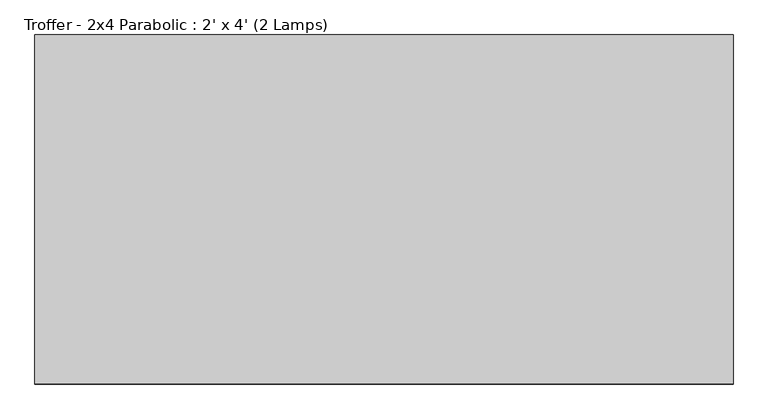
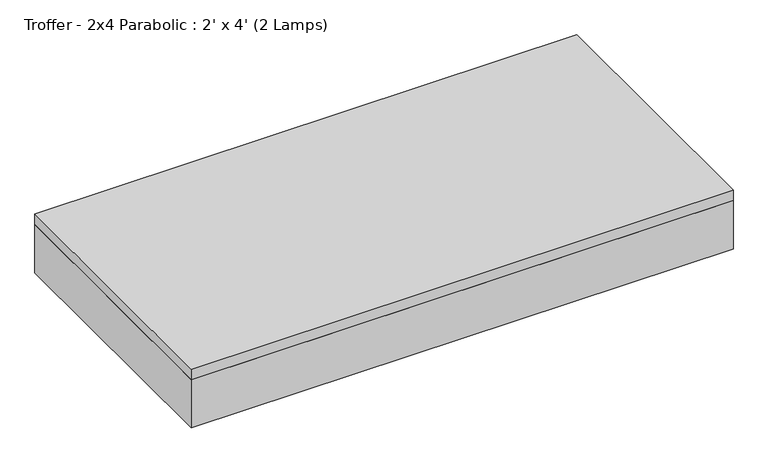
"""IFC4 building model written with IfcOpenShell, lengths in millimetres: light fixture geometry, Troffer - 2x4 Parabolic : 2' x 4' (2 Lamps)."""

import ifcopenshell
import ifcopenshell.guid

model = None  # the IFC model being written
_history = None  # IfcOwnerHistory: only IFC2X3 demands one
_inside = {}  # id of a spatial element -> (the spatial element, [elements in it])
_under = {}  # id of a project, library or spatial element -> (it, [spatial elements below it])
_declared = {}  # id of a project -> (the project, [libraries it declares])
_typed = {}  # id of a type object -> (the type object, [elements of that type])
_made_of = {}  # id of a material, layer set ... -> (it, [elements and type objects made of it])


def new_model(schema):
    """Start an empty IFC model of exactly this schema.

    Asked for "IFC4X3", IfcOpenShell would pick the latest addendum, in which some entities
    have other attributes; the version numbers below select the first issue.
    IFC2X3 requires an IfcOwnerHistory on every rooted entity: one is made here for all.
    """
    global model, _history
    if schema == "IFC4X3":
        model = ifcopenshell.file(schema_version=(4, 3, 0, 0))
    else:
        model = ifcopenshell.file(schema=schema)
    _inside.clear()
    _under.clear()
    _declared.clear()
    _typed.clear()
    _made_of.clear()
    _history = None
    if model.schema == "IFC2X3":
        org = make("IfcOrganization", Name="unknown")
        user = make(
            "IfcPersonAndOrganization",
            ThePerson=make("IfcPerson", FamilyName="unknown"),
            TheOrganization=org,
        )
        app = make(
            "IfcApplication",
            ApplicationDeveloper=org,
            Version="unknown",
            ApplicationFullName="unknown",
            ApplicationIdentifier="unknown",
        )
        _history = make(
            "IfcOwnerHistory",
            OwningUser=user,
            OwningApplication=app,
            ChangeAction="ADDED",
            CreationDate=0,
        )
    return model


def make(cls, **values):
    """One entity of the class cls with the attributes given. An attribute that is None is left unset."""
    return model.create_entity(
        cls, **{name: value for name, value in values.items() if value is not None}
    )


def rooted(cls, **values):
    """An entity with a GlobalId (a new one), such as an element, a storey or a relation."""
    return make(cls, GlobalId=ifcopenshell.guid.new(), OwnerHistory=_history, **values)


def si_unit(unit_type, name, prefix=None):
    """IfcSIUnit, for example si_unit("LENGTHUNIT", "METRE", prefix="MILLI")."""
    return make("IfcSIUnit", UnitType=unit_type, Prefix=prefix, Name=name)


def assignment(units):
    """IfcUnitAssignment: the units of a project."""
    return None if units is None else make("IfcUnitAssignment", Units=units)


def point(xyz):
    """IfcCartesianPoint."""
    return None if xyz is None else make("IfcCartesianPoint", Coordinates=xyz)


def direction(xyz):
    """IfcDirection."""
    return None if xyz is None else make("IfcDirection", DirectionRatios=xyz)


def frame(location, z_axis=None, x_axis=None):
    """IfcAxis2Placement3D, a coordinate frame: its origin and axes. An axis left out is left unset."""
    return make(
        "IfcAxis2Placement3D",
        Location=point(location),
        Axis=direction(z_axis),
        RefDirection=direction(x_axis),
    )


def origin():
    """The frame at (0, 0, 0) with its axes left unset."""
    return frame((0.0, 0.0, 0.0))


def place(relative_to, where):
    """IfcLocalPlacement: puts the frame where relative to a parent placement (None: the world)."""
    return make(
        "IfcLocalPlacement", PlacementRelTo=relative_to, RelativePlacement=where
    )


def context(
    kind, dimensions, precision=None, world=None, true_north=None, identifier=None
):
    """IfcGeometricRepresentationContext, for example the 3D "Model" context."""
    return make(
        "IfcGeometricRepresentationContext",
        ContextIdentifier=identifier,
        ContextType=kind,
        CoordinateSpaceDimension=dimensions,
        Precision=precision,
        WorldCoordinateSystem=world,
        TrueNorth=true_north,
    )


def project(units=None, contexts=None):
    """IfcProject with its units and contexts."""
    return rooted(
        "IfcProject",
        Name="project",
        RepresentationContexts=contexts,
        UnitsInContext=assignment(units),
    )


def spatial(cls, under=None, at=None, **own):
    """A site, building, storey or space (cls), placed at a placement, below another one or the project."""
    s = rooted(cls, ObjectPlacement=at, **own)
    if under is not None:
        _under.setdefault(under.id(), (under, []))[1].append(s)
    return s


def polyline(points):
    """IfcPolyline through the points."""
    return make("IfcPolyline", Points=[point(p) for p in points])


def outline(outer, holes=None, kind="AREA"):
    """IfcArbitraryClosedProfileDef: a profile drawn as a closed curve; with holes, ...WithVoids."""
    if holes is None:
        return make("IfcArbitraryClosedProfileDef", ProfileType=kind, OuterCurve=outer)
    return make(
        "IfcArbitraryProfileDefWithVoids",
        ProfileType=kind,
        OuterCurve=outer,
        InnerCurves=holes,
    )


def extrude(swept, where, along, depth):
    """IfcExtrudedAreaSolid: the profile swept, set in the frame where, extruded along a direction by depth."""
    return make(
        "IfcExtrudedAreaSolid",
        SweptArea=swept,
        Position=where,
        ExtrudedDirection=direction(along),
        Depth=depth,
    )


def shape(context_of_items, identifier, shape_type, items):
    """IfcShapeRepresentation: the items that make up one representation, for example the "Body"."""
    return make(
        "IfcShapeRepresentation",
        ContextOfItems=context_of_items,
        RepresentationIdentifier=identifier,
        RepresentationType=shape_type,
        Items=items,
    )


def source(mapping_origin, context_of_items, identifier, shape_type, items):
    """IfcRepresentationMap: a shape defined once, which mapped items show again and again."""
    return make(
        "IfcRepresentationMap",
        MappingOrigin=mapping_origin,
        MappedRepresentation=shape(context_of_items, identifier, shape_type, items),
    )


def transform(
    local_origin,
    x_axis=None,
    y_axis=None,
    z_axis=None,
    scale=None,
    scale2=None,
    scale3=None,
    uniform=True,
):
    """IfcCartesianTransformationOperator3D, or its non-uniform kind. x_axis, y_axis, z_axis: its Axis1, 2, 3."""
    if uniform:
        return make(
            "IfcCartesianTransformationOperator3D",
            Axis1=direction(x_axis),
            Axis2=direction(y_axis),
            LocalOrigin=point(local_origin),
            Scale=scale,
            Axis3=direction(z_axis),
        )
    return make(
        "IfcCartesianTransformationOperator3DnonUniform",
        Axis1=direction(x_axis),
        Axis2=direction(y_axis),
        LocalOrigin=point(local_origin),
        Scale=scale,
        Axis3=direction(z_axis),
        Scale2=scale2,
        Scale3=scale3,
    )


def mapped(mapping_source, mapping_target):
    """IfcMappedItem: shows the shape of a source again, moved by a transform."""
    return make(
        "IfcMappedItem", MappingSource=mapping_source, MappingTarget=mapping_target
    )


def made_of(thing, what):
    """Note that an element or type object is made of a material, layer set ...; save() writes the relation."""
    if what is not None:
        _made_of.setdefault(what.id(), (what, []))[1].append(thing)
    return thing


def element(
    cls,
    number,
    at=None,
    inside=None,
    cuts=None,
    type_object=None,
    material=None,
    context=None,
    identifier="Body",
    shape_type=None,
    held_by="IfcProductDefinitionShape",
    body=None,
    shapes=None,
    **own,
):
    """One element of the class cls, such as IfcWall. Its Tag is "e" and its number.

    at: its placement. inside: the storey or other place that contains it. cuts: it is an
    opening in that element (IfcRelVoidsElement). A single representation is given by context,
    identifier, shape_type and body (its items); several are given by shapes. held_by: the class
    of the entity that holds the representations. save() writes the other relations.
    """
    e = rooted(cls, Tag="e%d" % number, ObjectPlacement=at, **own)
    if body is not None:
        shapes = [shape(context, identifier, shape_type, body)]
    if shapes is not None:
        e.Representation = make(held_by, Representations=shapes)
    if inside is not None:
        _inside.setdefault(inside.id(), (inside, []))[1].append(e)
    if cuts is not None:
        rooted(
            "IfcRelVoidsElement", RelatingBuildingElement=cuts, RelatedOpeningElement=e
        )
    if type_object is not None:
        _typed.setdefault(type_object.id(), (type_object, []))[1].append(e)
    return made_of(e, material)


def aggregate(whole, parts):
    """IfcRelAggregates: a whole, such as a stair, and the parts it consists of."""
    return rooted("IfcRelAggregates", RelatingObject=whole, RelatedObjects=parts)


def save(model, path):
    """Write the relations noted so far, then the file.

    IfcRelAggregates (storeys below a building ...), IfcRelContainedInSpatialStructure (elements
    in a storey), IfcRelDefinesByType, IfcRelAssociatesMaterial and IfcRelDeclares: one each for
    every whole, place, type object, material and project.
    """
    for whole, parts in _under.values():
        aggregate(whole, parts)
    for where, things in _inside.values():
        rooted(
            "IfcRelContainedInSpatialStructure",
            RelatedElements=things,
            RelatingStructure=where,
        )
    for kind, things in _typed.values():
        rooted("IfcRelDefinesByType", RelatedObjects=things, RelatingType=kind)
    for what, things in _made_of.values():
        rooted("IfcRelAssociatesMaterial", RelatedObjects=things, RelatingMaterial=what)
    for by, libraries in _declared.values():
        rooted("IfcRelDeclares", RelatingContext=by, RelatedDefinitions=libraries)
    model.write(path)


def troffer_2x4_parabolic_2_x_4_2_lamps_ca384779(model_context):
    return source(origin(), model_context, "Body", "SweptSolid", [
        extrude(outline(polyline([(565.4964984, 219.9340679), (565.4964984, -338.8659321), (-602.9035016, -338.8659321), (-602.9035016, 219.9340679), (565.4964984, 219.9340679)]), holes=[polyline([(-409.2285016, 35.7840679), (-409.2285016, 213.5840679), (-596.5535016, 213.5840679), (-596.5535016, 35.7840679), (-409.2285016, 35.7840679)]), polyline([(-409.2285016, -148.3659321), (-409.2285016, 29.4340679), (-596.5535016, 29.4340679), (-596.5535016, -148.3659321), (-409.2285016, -148.3659321)]), polyline([(-409.2285016, -154.7159321), (-596.5535016, -154.7159321), (-596.5535016, -332.5159321), (-409.2285016, -332.5159321), (-409.2285016, -154.7159321)]), polyline([(-215.5535016, 35.7840679), (-215.5535016, 213.5840679), (-402.8785016, 213.5840679), (-402.8785016, 35.7840679), (-215.5535016, 35.7840679)]), polyline([(-215.5535016, -148.3659321), (-215.5535016, 29.4340679), (-402.8785016, 29.4340679), (-402.8785016, -148.3659321), (-215.5535016, -148.3659321)]), polyline([(-215.5535016, -154.7159321), (-402.8785016, -154.7159321), (-402.8785016, -332.5159321), (-215.5535016, -332.5159321), (-215.5535016, -154.7159321)]), polyline([(-21.8785016, 35.7840679), (-21.8785016, 213.5840679), (-209.2035016, 213.5840679), (-209.2035016, 35.7840679), (-21.8785016, 35.7840679)]), polyline([(-21.8785016, -148.3659321), (-21.8785016, 29.4340679), (-209.2035016, 29.4340679), (-209.2035016, -148.3659321), (-21.8785016, -148.3659321)]), polyline([(-21.8785016, -154.7159321), (-209.2035016, -154.7159321), (-209.2035016, -332.5159321), (-21.8785016, -332.5159321), (-21.8785016, -154.7159321)]), polyline([(171.7964984, 35.7840679), (171.7964984, 213.5840679), (-15.5285016, 213.5840679), (-15.5285016, 35.7840679), (171.7964984, 35.7840679)]), polyline([(171.7964984, -148.3659321), (171.7964984, 29.4340679), (-15.5285016, 29.4340679), (-15.5285016, -148.3659321), (171.7964984, -148.3659321)]), polyline([(171.7964984, -154.7159321), (-15.5285016, -154.7159321), (-15.5285016, -332.5159321), (171.7964984, -332.5159321), (171.7964984, -154.7159321)]), polyline([(365.4714984, 35.7840679), (365.4714984, 213.5840679), (178.1464984, 213.5840679), (178.1464984, 35.7840679), (365.4714984, 35.7840679)]), polyline([(365.4714984, -148.3659321), (365.4714984, 29.4340679), (178.1464984, 29.4340679), (178.1464984, -148.3659321), (365.4714984, -148.3659321)]), polyline([(365.4714984, -154.7159321), (178.1464984, -154.7159321), (178.1464984, -332.5159321), (365.4714984, -332.5159321), (365.4714984, -154.7159321)]), polyline([(559.1464984, 35.7840679), (559.1464984, 213.5840679), (371.8214984, 213.5840679), (371.8214984, 35.7840679), (559.1464984, 35.7840679)]), polyline([(559.1464984, -148.3659321), (559.1464984, 29.4340679), (371.8214984, 29.4340679), (371.8214984, -148.3659321), (559.1464984, -148.3659321)]), polyline([(559.1464984, -154.7159321), (371.8214984, -154.7159321), (371.8214984, -332.5159321), (559.1464984, -332.5159321), (559.1464984, -154.7159321)])]), frame((0.0, 0.0, 2438.4), z_axis=(0.0, 0.0, 1.0), x_axis=(1.0, 0.0, 0.0)), (0.0, 0.0, 1.0), 3.175),
        extrude(outline(polyline([(565.4964984, 219.9340679), (565.4964984, -338.8659321), (-602.9035016, -338.8659321), (-602.9035016, 219.9340679), (565.4964984, 219.9340679)])), frame((0.0, 0.0, 2514.6), z_axis=(0.0, 0.0, 1.0), x_axis=(1.0, 0.0, 0.0)), (0.0, 0.0, 1.0), 6.35),
        extrude(outline(polyline([(565.4964984, 219.9340679), (565.4964984, -338.8659321), (-602.9035016, -338.8659321), (-602.9035016, 219.9340679), (565.4964984, 219.9340679)]), holes=[polyline([(-409.2285016, 35.7840679), (-409.2285016, 213.5840679), (-596.5535016, 213.5840679), (-596.5535016, 35.7840679), (-409.2285016, 35.7840679)]), polyline([(-409.2285016, -148.3659321), (-409.2285016, 29.4340679), (-596.5535016, 29.4340679), (-596.5535016, -148.3659321), (-409.2285016, -148.3659321)]), polyline([(-409.2285016, -154.7159321), (-596.5535016, -154.7159321), (-596.5535016, -332.5159321), (-409.2285016, -332.5159321), (-409.2285016, -154.7159321)]), polyline([(-215.5535016, 35.7840679), (-215.5535016, 213.5840679), (-402.8785016, 213.5840679), (-402.8785016, 35.7840679), (-215.5535016, 35.7840679)]), polyline([(-215.5535016, -148.3659321), (-215.5535016, 29.4340679), (-402.8785016, 29.4340679), (-402.8785016, -148.3659321), (-215.5535016, -148.3659321)]), polyline([(-215.5535016, -154.7159321), (-402.8785016, -154.7159321), (-402.8785016, -332.5159321), (-215.5535016, -332.5159321), (-215.5535016, -154.7159321)]), polyline([(-21.8785016, 35.7840679), (-21.8785016, 213.5840679), (-209.2035016, 213.5840679), (-209.2035016, 35.7840679), (-21.8785016, 35.7840679)]), polyline([(-21.8785016, -148.3659321), (-21.8785016, 29.4340679), (-209.2035016, 29.4340679), (-209.2035016, -148.3659321), (-21.8785016, -148.3659321)]), polyline([(-21.8785016, -154.7159321), (-209.2035016, -154.7159321), (-209.2035016, -332.5159321), (-21.8785016, -332.5159321), (-21.8785016, -154.7159321)]), polyline([(171.7964984, 35.7840679), (171.7964984, 213.5840679), (-15.5285016, 213.5840679), (-15.5285016, 35.7840679), (171.7964984, 35.7840679)]), polyline([(171.7964984, -148.3659321), (171.7964984, 29.4340679), (-15.5285016, 29.4340679), (-15.5285016, -148.3659321), (171.7964984, -148.3659321)]), polyline([(171.7964984, -154.7159321), (-15.5285016, -154.7159321), (-15.5285016, -332.5159321), (171.7964984, -332.5159321), (171.7964984, -154.7159321)]), polyline([(365.4714984, 35.7840679), (365.4714984, 213.5840679), (178.1464984, 213.5840679), (178.1464984, 35.7840679), (365.4714984, 35.7840679)]), polyline([(365.4714984, -148.3659321), (365.4714984, 29.4340679), (178.1464984, 29.4340679), (178.1464984, -148.3659321), (365.4714984, -148.3659321)]), polyline([(365.4714984, -154.7159321), (178.1464984, -154.7159321), (178.1464984, -332.5159321), (365.4714984, -332.5159321), (365.4714984, -154.7159321)]), polyline([(559.1464984, 35.7840679), (559.1464984, 213.5840679), (371.8214984, 213.5840679), (371.8214984, 35.7840679), (559.1464984, 35.7840679)]), polyline([(559.1464984, -148.3659321), (559.1464984, 29.4340679), (371.8214984, 29.4340679), (371.8214984, -148.3659321), (559.1464984, -148.3659321)]), polyline([(559.1464984, -154.7159321), (371.8214984, -154.7159321), (371.8214984, -332.5159321), (559.1464984, -332.5159321), (559.1464984, -154.7159321)])]), frame((0.0, 0.0, 2441.575), z_axis=(0.0, 0.0, 1.0), x_axis=(1.0, 0.0, 0.0)), (0.0, 0.0, 1.0), 47.625),
        extrude(outline(polyline([(590.8964984, 245.3340679), (590.8964984, -364.2659321), (-628.3035016, -364.2659321), (-628.3035016, 245.3340679), (590.8964984, 245.3340679)]), holes=[polyline([(565.4964984, 219.9340679), (-602.9035016, 219.9340679), (-602.9035016, -338.8659321), (565.4964984, -338.8659321), (565.4964984, 219.9340679)])]), frame((0.0, 0.0, 2438.4), z_axis=(0.0, 0.0, 1.0), x_axis=(1.0, 0.0, 0.0)), (0.0, 0.0, 1.0), 114.3),
        extrude(outline(polyline([(590.8964984, 245.3340679), (590.8964984, -364.2659321), (-628.3035016, -364.2659321), (-628.3035016, 245.3340679), (590.8964984, 245.3340679)])), frame((0.0, 0.0, 2552.7), z_axis=(0.0, 0.0, 1.0), x_axis=(1.0, 0.0, 0.0)), (0.0, 0.0, 1.0), 25.4),
    ])


if __name__ == "__main__":
    model = new_model("IFC4")
    model_context = context("Model", 3, world=origin())
    ifc_project = project(units=[si_unit("LENGTHUNIT", "METRE", prefix="MILLI")], contexts=[model_context])
    site = spatial("IfcSite", under=ifc_project)
    building = spatial("IfcBuilding", under=site)
    placement = place(None, origin())
    troffer_2x4_parabolic_2_x_4_2_lamps_shape = troffer_2x4_parabolic_2_x_4_2_lamps_ca384779(model_context)
    element("IfcLightFixture", 1, ObjectType="Troffer - 2x4 Parabolic : 2' x 4' (2 Lamps)", at=placement, inside=building, context=model_context, shape_type="MappedRepresentation", body=[
        mapped(troffer_2x4_parabolic_2_x_4_2_lamps_shape, transform((0.0, 0.0, 0.0), x_axis=(1.0, 0.0, 0.0), y_axis=(0.0, 1.0, 0.0), z_axis=(0.0, 0.0, 1.0))),
    ])
    save(model, "model.ifc")
